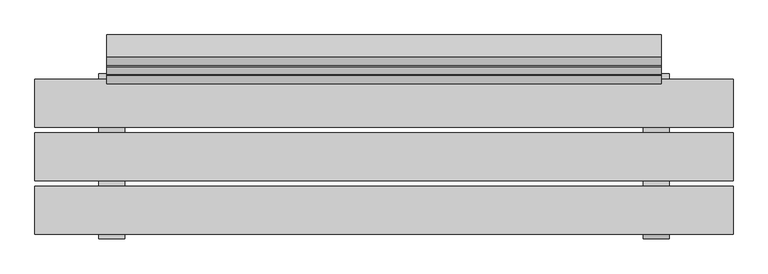
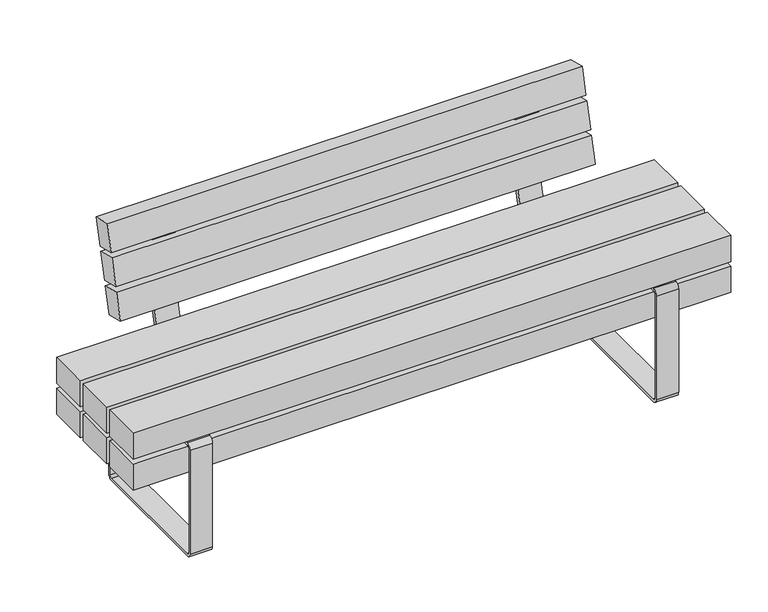
"""IFC4 building model written with IfcOpenShell, lengths in millimetres: furniture geometry."""

from ifc_helpers import new_model, si_unit, point, frame, frame_2d, origin, place, context, project, spatial, polyline, circle_curve, trimmed, segment, composite_curve, outline, extrude, source, transform, mapped, element, save


def furniture_0a1f116f(model_context):
    return source(origin(), model_context, "Body", "SweptSolid", [
        extrude(outline(composite_curve([segment(polyline([(198.4124417, 0.0), (-196.5875583, 0.0)]), True, "CONTINUOUS"), segment(trimmed(circle_curve(frame_2d((-196.5875583, 15.0)), 15.0), [point((-196.5875583, 0.0))], [point((-211.5875583, 15.0))], False, "CARTESIAN"), True, "CONTINUOUS"), segment(polyline([(-211.5875583, 15.0), (-211.5875583, 345.3217453)]), True, "CONTINUOUS"), segment(trimmed(circle_curve(frame_2d((-196.5875583, 345.3217453)), 15.0), [point((-211.5875583, 345.3217453))], [point((-196.5875583, 360.3217453))], False, "CARTESIAN"), True, "CONTINUOUS"), segment(polyline([(-196.5875583, 360.3217453), (198.4124417, 360.3217453)]), True, "CONTINUOUS"), segment(trimmed(circle_curve(frame_2d((198.4124417, 345.3217453)), 15.0), [point((198.4124417, 360.3217453))], [point((213.4124417, 345.3217453))], False, "CARTESIAN"), True, "CONTINUOUS"), segment(polyline([(213.4124417, 345.3217453), (213.4124417, 15.0)]), True, "CONTINUOUS"), segment(trimmed(circle_curve(frame_2d((198.4124417, 15.0)), 15.0), [point((213.4124417, 15.0))], [point((198.4124417, 0.0))], False, "CARTESIAN"), True, "CONTINUOUS")], self_intersect=False), holes=[composite_curve([segment(trimmed(circle_curve(frame_2d((-196.5875583, 15.0)), 6.5), [point((-203.0875583, 15.0))], [point((-196.5875583, 8.5))], True, "CARTESIAN"), True, "CONTINUOUS"), segment(polyline([(-196.5875583, 8.5), (198.4124417, 8.5)]), True, "CONTINUOUS"), segment(trimmed(circle_curve(frame_2d((198.4124417, 15.0)), 6.5), [point((198.4124417, 8.5))], [point((204.9124417, 15.0))], True, "CARTESIAN"), True, "CONTINUOUS"), segment(polyline([(204.9124417, 15.0), (204.9124417, 345.3217453)]), True, "CONTINUOUS"), segment(trimmed(circle_curve(frame_2d((198.4124417, 345.3217453)), 6.5), [point((204.9124417, 345.3217453))], [point((198.4124417, 351.8217453))], True, "CARTESIAN"), True, "CONTINUOUS"), segment(polyline([(198.4124417, 351.8217453), (-196.5875583, 351.8217453)]), True, "CONTINUOUS"), segment(trimmed(circle_curve(frame_2d((-196.5875583, 345.3217453)), 6.5), [point((-196.5875583, 351.8217453))], [point((-203.0875583, 345.3217453))], True, "CARTESIAN"), True, "CONTINUOUS"), segment(polyline([(-203.0875583, 345.3217453), (-203.0875583, 15.0)]), True, "CONTINUOUS")], self_intersect=False)]), frame((668.5975006, 0.0, 0.0), z_axis=(1.0, 0.0, 0.0), x_axis=(0.0, 1.0, 0.0)), (0.0, 0.0, 1.0), 67.040596),
        extrude(outline(composite_curve([segment(polyline([(198.4124417, 0.0), (-196.5875583, 0.0)]), True, "CONTINUOUS"), segment(trimmed(circle_curve(frame_2d((-196.5875583, 15.0)), 15.0), [point((-196.5875583, 0.0))], [point((-211.5875583, 15.0))], False, "CARTESIAN"), True, "CONTINUOUS"), segment(polyline([(-211.5875583, 15.0), (-211.5875583, 345.3217453)]), True, "CONTINUOUS"), segment(trimmed(circle_curve(frame_2d((-196.5875583, 345.3217453)), 15.0), [point((-211.5875583, 345.3217453))], [point((-196.5875583, 360.3217453))], False, "CARTESIAN"), True, "CONTINUOUS"), segment(polyline([(-196.5875583, 360.3217453), (198.4124417, 360.3217453)]), True, "CONTINUOUS"), segment(trimmed(circle_curve(frame_2d((198.4124417, 345.3217453)), 15.0), [point((198.4124417, 360.3217453))], [point((213.4124417, 345.3217453))], False, "CARTESIAN"), True, "CONTINUOUS"), segment(polyline([(213.4124417, 345.3217453), (213.4124417, 15.0)]), True, "CONTINUOUS"), segment(trimmed(circle_curve(frame_2d((198.4124417, 15.0)), 15.0), [point((213.4124417, 15.0))], [point((198.4124417, 0.0))], False, "CARTESIAN"), True, "CONTINUOUS")], self_intersect=False), holes=[composite_curve([segment(trimmed(circle_curve(frame_2d((-196.5875583, 15.0)), 6.5), [point((-203.0875583, 15.0))], [point((-196.5875583, 8.5))], True, "CARTESIAN"), True, "CONTINUOUS"), segment(polyline([(-196.5875583, 8.5), (198.4124417, 8.5)]), True, "CONTINUOUS"), segment(trimmed(circle_curve(frame_2d((198.4124417, 15.0)), 6.5), [point((198.4124417, 8.5))], [point((204.9124417, 15.0))], True, "CARTESIAN"), True, "CONTINUOUS"), segment(polyline([(204.9124417, 15.0), (204.9124417, 345.3217453)]), True, "CONTINUOUS"), segment(trimmed(circle_curve(frame_2d((198.4124417, 345.3217453)), 6.5), [point((204.9124417, 345.3217453))], [point((198.4124417, 351.8217453))], True, "CARTESIAN"), True, "CONTINUOUS"), segment(polyline([(198.4124417, 351.8217453), (-196.5875583, 351.8217453)]), True, "CONTINUOUS"), segment(trimmed(circle_curve(frame_2d((-196.5875583, 345.3217453)), 6.5), [point((-196.5875583, 351.8217453))], [point((-203.0875583, 345.3217453))], True, "CARTESIAN"), True, "CONTINUOUS"), segment(polyline([(-203.0875583, 345.3217453), (-203.0875583, 15.0)]), True, "CONTINUOUS")], self_intersect=False)]), frame((-735.6380966, 0.0, 0.0), z_axis=(1.0, 0.0, 0.0), x_axis=(0.0, 1.0, 0.0)), (0.0, 0.0, 1.0), 67.040596),
        extrude(outline(polyline([(351.8217453, 900.0000373), (351.8217453, -900.0), (268.7167987, -900.0), (268.7167987, 900.0000373), (351.8217453, 900.0000373)]), holes=[polyline([(339.8217453, -888.0), (339.8217453, 888.0), (280.7167987, 888.0), (280.7167987, -888.0), (339.8217453, -888.0)])]), frame((0.0, -61.5000218, 0.0), z_axis=(0.0, 1.0, 0.0), x_axis=(0.0, 0.0, 1.0)), (0.0, 0.0, 1.0), 123.0000435),
        extrude(outline(composite_curve([segment(polyline([(301.7676975, 665.0239384), (227.7235932, 368.0492568)]), True, "CONTINUOUS"), segment(trimmed(circle_curve(frame_2d((206.9533257, 373.2278661)), 21.4061208), [point((227.7235932, 368.0492568))], [point((206.9533257, 351.8217453))], False, "CARTESIAN"), True, "CONTINUOUS"), segment(polyline([(206.9533257, 351.8217453), (76.4999782, 351.8217453), (76.4999782, 366.8258682), (207.2227467, 366.8258682)]), True, "CONTINUOUS"), segment(trimmed(circle_curve(frame_2d((207.2227467, 376.8258682)), 10.0), [point((207.2227467, 366.8258682))], [point((216.925704, 374.4066493))], True, "CARTESIAN"), True, "CONTINUOUS"), segment(polyline([(216.925704, 374.4066493), (290.8352259, 670.8415506), (252.7658072, 680.3333227), (255.6688699, 691.9768714), (290.84209, 683.2072027)]), True, "CONTINUOUS"), segment(trimmed(circle_curve(frame_2d((287.2132616, 668.6527668)), 15.0), [point((290.84209, 683.2072027))], [point((301.7676975, 665.0239384))], False, "CARTESIAN"), True, "CONTINUOUS")], self_intersect=False)), frame((-582.1768452, 0.0, 0.0), z_axis=(1.0, 0.0, 0.0), x_axis=(0.0, 1.0, 0.0)), (0.0, 0.0, 1.0), 70.0),
        extrude(outline(composite_curve([segment(polyline([(301.7676975, 665.0239384), (227.7235932, 368.0492568)]), True, "CONTINUOUS"), segment(trimmed(circle_curve(frame_2d((206.9533257, 373.2278661)), 21.4061208), [point((227.7235932, 368.0492568))], [point((206.9533257, 351.8217453))], False, "CARTESIAN"), True, "CONTINUOUS"), segment(polyline([(206.9533257, 351.8217453), (76.4999782, 351.8217453), (76.4999782, 366.8258682), (207.2227467, 366.8258682)]), True, "CONTINUOUS"), segment(trimmed(circle_curve(frame_2d((207.2227467, 376.8258682)), 10.0), [point((207.2227467, 366.8258682))], [point((216.925704, 374.4066493))], True, "CARTESIAN"), True, "CONTINUOUS"), segment(polyline([(216.925704, 374.4066493), (290.8352259, 670.8415506), (252.7658072, 680.3333227), (255.6688699, 691.9768714), (290.84209, 683.2072027)]), True, "CONTINUOUS"), segment(trimmed(circle_curve(frame_2d((287.2132616, 668.6527668)), 15.0), [point((290.84209, 683.2072027))], [point((301.7676975, 665.0239384))], False, "CARTESIAN"), True, "CONTINUOUS")], self_intersect=False)), frame((512.1769562, 0.0, 0.0), z_axis=(1.0, 0.0, 0.0), x_axis=(0.0, 1.0, 0.0)), (0.0, 0.0, 1.0), 70.0),
        extrude(outline(polyline([(0.0, -60.0), (0.0, 0.0), (1430.0000015, 0.0), (1430.0000015, -60.0), (0.0, -60.0)])), frame((715.0000752, 188.1106519, 506.8497082), z_axis=(0.0, 0.24226794219074058, 0.9702093816216497), x_axis=(-1.0, 0.0, 0.0)), (0.0, 0.0, 1.0), 82.9016978),
        extrude(outline(polyline([(0.0, -60.0), (0.0, 0.0), (1430.0000015, 0.0), (1430.0000015, -60.0), (0.0, -60.0)])), frame((715.0000752, 211.8519257, 601.9262847), z_axis=(0.0, 0.24226794219074002, 0.9702093816216498), x_axis=(-1.0, 0.0, 0.0)), (0.0, 0.0, 1.0), 82.9016978),
        extrude(outline(polyline([(0.0, -60.0), (0.0, 0.0), (1430.0000015, 0.0), (1430.0000015, -60.0), (0.0, -60.0)])), frame((715.0000752, 235.5883657, 696.9835034), z_axis=(0.0, 0.24226794219073886, 0.9702093816216503), x_axis=(-1.0, 0.0, 0.0)), (0.0, 0.0, 1.0), 82.9016978),
        extrude(outline(polyline([(900.0, -76.5174894), (900.0, -199.5174894), (-900.0, -199.5174894), (-900.0, -76.5174894), (900.0, -76.5174894)])), frame((0.0, 0.0, 366.8258682), z_axis=(0.0, 0.0, 1.0), x_axis=(1.0, 0.0, 0.0)), (0.0, 0.0, 1.0), 83.1049466),
        extrude(outline(polyline([(900.0, 61.4888479), (900.0, -61.5111521), (-900.0, -61.5111521), (-900.0, 61.4888479), (900.0, 61.4888479)])), frame((0.0, 0.0, 366.8258682), z_axis=(0.0, 0.0, 1.0), x_axis=(1.0, 0.0, 0.0)), (0.0, 0.0, 1.0), 83.1049466),
        extrude(outline(polyline([(900.0, 199.4999782), (900.0, 76.4999782), (-900.0, 76.4999782), (-900.0, 199.4999782), (900.0, 199.4999782)])), frame((0.0, 0.0, 366.8258682), z_axis=(0.0, 0.0, 1.0), x_axis=(1.0, 0.0, 0.0)), (0.0, 0.0, 1.0), 83.1049466),
        extrude(outline(polyline([(900.0, -76.5174894), (900.0, -199.5174894), (-900.0, -199.5174894), (-900.0, -76.5174894), (900.0, -76.5174894)])), frame((0.0, 0.0, 268.7167987), z_axis=(0.0, 0.0, 1.0), x_axis=(1.0, 0.0, 0.0)), (0.0, 0.0, 1.0), 83.1049466),
        extrude(outline(polyline([(900.0, 199.4999782), (900.0, 76.4999782), (-900.0, 76.4999782), (-900.0, 199.4999782), (900.0, 199.4999782)])), frame((0.0, 0.0, 268.7167987), z_axis=(0.0, 0.0, 1.0), x_axis=(1.0, 0.0, 0.0)), (0.0, 0.0, 1.0), 83.1049466),
        extrude(outline(polyline([(735.4649994, -171.2111197), (668.4244034, -171.2111197), (668.4244034, 168.7288553), (735.4649994, 168.7288553), (735.4649994, -171.2111197)])), frame((0.0, 0.0, 351.8217453), z_axis=(0.0, 0.0, 1.0), x_axis=(1.0, 0.0, 0.0)), (0.0, 0.0, 1.0), 15.004123),
        extrude(outline(polyline([(-668.5975006, -171.2111197), (-735.6380966, -171.2111197), (-735.6380966, 168.7288553), (-668.5975006, 168.7288553), (-668.5975006, -171.2111197)])), frame((0.0, 0.0, 351.8217453), z_axis=(0.0, 0.0, 1.0), x_axis=(1.0, 0.0, 0.0)), (0.0, 0.0, 1.0), 15.004123),
    ])


if __name__ == "__main__":
    model = new_model("IFC4")
    model_context = context("Model", 3, world=origin())
    ifc_project = project(units=[si_unit("LENGTHUNIT", "METRE", prefix="MILLI")], contexts=[model_context])
    site = spatial("IfcSite", under=ifc_project)
    building = spatial("IfcBuilding", under=site)
    placement = place(None, origin())
    furniture_shape = furniture_0a1f116f(model_context)
    element("IfcFurniture", 1, at=placement, inside=building, context=model_context, shape_type="MappedRepresentation", body=[
        mapped(furniture_shape, transform((0.0, 0.0, 0.0), x_axis=(1.0, 0.0, 0.0), y_axis=(0.0, 1.0, 0.0), z_axis=(0.0, 0.0, 1.0))),
    ])
    save(model, "model.ifc")
